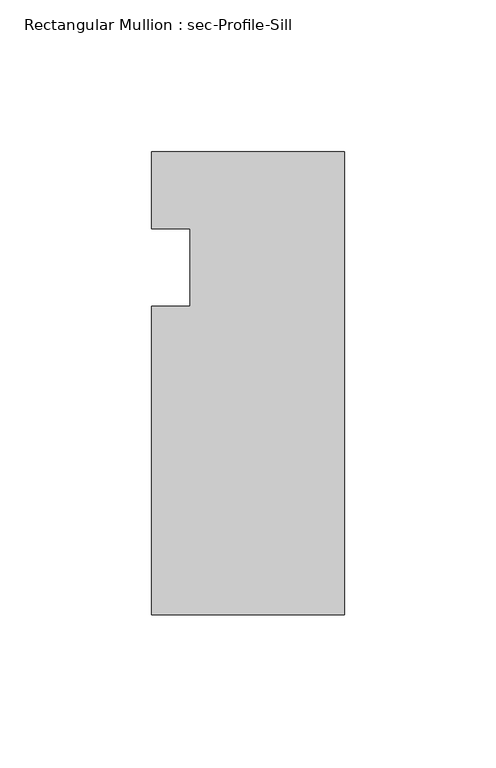
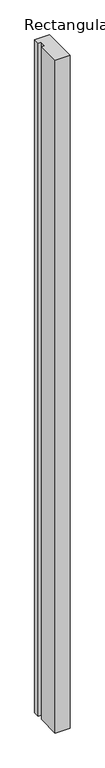
"""IFC4 building model written with IfcOpenShell, lengths in millimetres: member geometry, Rectangular Mullion : sec-Profile-Sill."""

from ifc_helpers import new_model, si_unit, frame, origin, place, context, project, spatial, polyline, outline, extrude, source, transform, mapped, element, save


def rectangular_mullion_sec_profile_sill_e95cd9ee(model_context):
    return source(origin(), model_context, "Body", "SweptSolid", [
        extrude(outline(polyline([(-63.5, 25.4), (0.0, 25.4), (0.0, -127.0), (-63.5, -127.0), (-63.5, -25.4), (-50.8, -25.4), (-50.8, 0.0), (-63.5, 0.0), (-63.5, 25.4)])), frame((0.0, 0.0, -3048.0), z_axis=(0.0, 0.0, 1.0), x_axis=(1.0, 0.0, 0.0)), (0.0, 0.0, 1.0), 3048.0),
    ])


if __name__ == "__main__":
    model = new_model("IFC4")
    model_context = context("Model", 3, world=origin())
    ifc_project = project(units=[si_unit("LENGTHUNIT", "METRE", prefix="MILLI")], contexts=[model_context])
    site = spatial("IfcSite", under=ifc_project)
    building = spatial("IfcBuilding", under=site)
    placement = place(None, origin())
    rectangular_mullion_sec_profile_sill_shape = rectangular_mullion_sec_profile_sill_e95cd9ee(model_context)
    element("IfcMember", 1, ObjectType="Rectangular Mullion : sec-Profile-Sill", at=placement, inside=building, context=model_context, shape_type="MappedRepresentation", body=[
        mapped(rectangular_mullion_sec_profile_sill_shape, transform((0.0, 0.0, 0.0), x_axis=(1.0, 0.0, 0.0), y_axis=(0.0, 1.0, 0.0), z_axis=(0.0, 0.0, 1.0))),
    ])
    save(model, "model.ifc")
